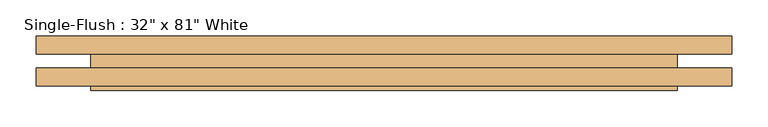
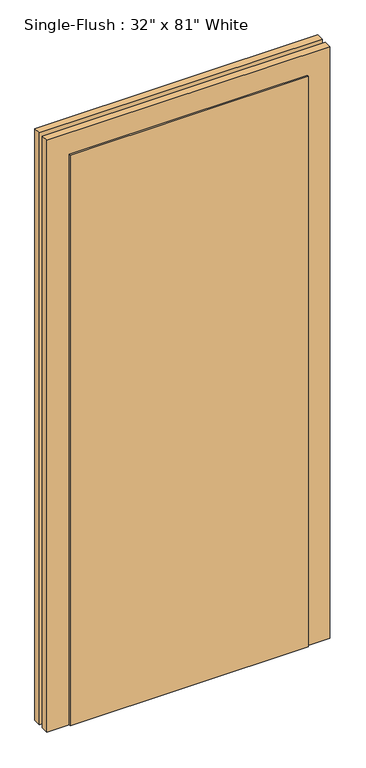
"""IFC4 building model written with IfcOpenShell, lengths in millimetres: door geometry."""

from ifc_helpers import new_model, si_unit, frame, origin, origin_with_axes, place, context, project, spatial, polyline, outline, extrude, source, transform, mapped, element, save


def door_5234ee10(model_context):
    return source(origin(), model_context, "Body", "SweptSolid", [
        extrude(outline(polyline([(2133.6, -482.6), (0.0, -482.6), (0.0, -406.4), (2057.4, -406.4), (2057.4, 406.4), (0.0, 406.4), (0.0, 482.6), (2133.6, 482.6), (2133.6, -482.6)])), frame((0.0, 9.525, 0.0), z_axis=(0.0, 1.0, 0.0), x_axis=(0.0, 0.0, 1.0)), (0.0, 0.0, 1.0), 25.4),
        extrude(outline(polyline([(2133.6, 482.6), (2133.6, -482.6), (0.0, -482.6), (0.0, -406.4), (2057.4, -406.4), (2057.4, 406.4), (0.0, 406.4), (0.0, 482.6), (2133.6, 482.6)])), frame((0.0, -34.925, 0.0), z_axis=(0.0, 1.0, 0.0), x_axis=(0.0, 0.0, 1.0)), (0.0, 0.0, 1.0), 25.4),
        extrude(outline(polyline([(406.4, -41.275), (-406.4, -41.275), (-406.4, 9.525), (406.4, 9.525), (406.4, -41.275)])), origin_with_axes(), (0.0, 0.0, 1.0), 2057.4),
    ])


if __name__ == "__main__":
    model = new_model("IFC4")
    model_context = context("Model", 3, world=origin())
    ifc_project = project(units=[si_unit("LENGTHUNIT", "METRE", prefix="MILLI")], contexts=[model_context])
    site = spatial("IfcSite", under=ifc_project)
    building = spatial("IfcBuilding", under=site)
    placement = place(None, origin())
    door_shape = door_5234ee10(model_context)
    element("IfcDoor", 1, ObjectType="Single-Flush : 32\" x 81\" White", at=placement, inside=building, context=model_context, shape_type="MappedRepresentation", body=[
        mapped(door_shape, transform((0.0, 0.0, 0.0), x_axis=(1.0, 0.0, 0.0), y_axis=(0.0, 1.0, 0.0), z_axis=(0.0, 0.0, 1.0))),
    ])
    save(model, "model.ifc")
